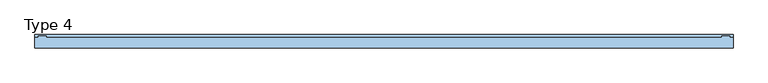
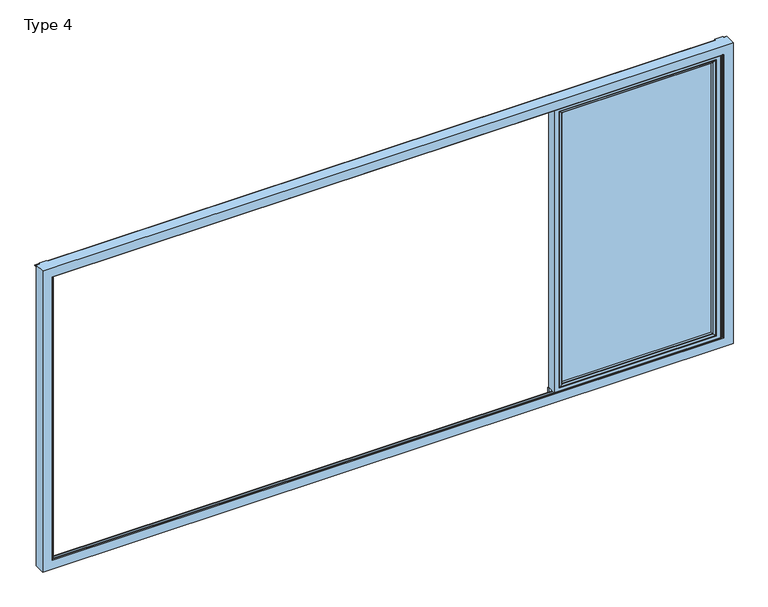
"""IFC4 building model written with IfcOpenShell, lengths in millimetres: window geometry, Type 4."""

from ifc_helpers import new_model, si_unit, point, frame, frame_2d, origin, place, context, project, spatial, polyline, circle_curve, ellipse_curve, trimmed, segment, composite_curve, outline, extrude, source, transform, mapped, element, save
from ifc_brep_helpers import plane_surface, cylinder_surface, advanced_brep


def type_4_5b0e3e8e(model_context):
    return source(origin(), model_context, "Body", "SolidModel", [
        advanced_brep(
        [(2500.0, -60.0, 2324.0), (2500.0, -60.0, 66.0), (2500.0, 20.0, 66.0), (2500.0, 20.0, 2324.0), (1259.0, -60.0, 66.0), (1259.0, 20.0, 66.0), (1259.0, 20.0, 2324.0), (1304.4996293, 20.0, 111.4996293), (2454.5003707, 20.0, 111.4996293), (2454.5003707, 20.0, 2278.5003707), (1304.4996293, 20.0, 2278.5003707), (1259.0, -60.0, 2324.0), (2468.0, -60.0, 98.0), (1291.0, -60.0, 98.0), (1291.0, -60.0, 2292.0), (2468.0, -60.0, 2292.0), (2468.0, 3.9999997, 2292.0), (2468.0, 3.9999997, 98.0), (1291.0, 3.9999997, 98.0), (1291.0, 3.9999997, 2292.0), (2449.999988, 3.9999997, 116.000012), (1309.000012, 3.9999997, 116.000012), (1309.000012, 3.9999997, 2273.999988), (2449.999988, 3.9999997, 2273.999988), (2449.999988, 15.4995565, 2273.999988), (2449.999988, 15.4995565, 116.000012), (1309.000012, 15.4995565, 116.000012), (1309.000012, 15.4995565, 2273.999988)],
        [
            (0, 1),
            (1, 2),
            (2, 3),
            (3, 0),
            (1, 4),
            (4, 5),
            (5, 2),
            (5, 6),
            (6, 3),
            (7, 8),
            (8, 9),
            (9, 10),
            (10, 7),
            (4, 11),
            (11, 6),
            (0, 11),
            (12, 13),
            (13, 14),
            (14, 15),
            (15, 12),
            (16, 17),
            (17, 12),
            (15, 16),
            (17, 18),
            (18, 13),
            (18, 19),
            (19, 14),
            (16, 19),
            (20, 21),
            (21, 22),
            (22, 23),
            (23, 20),
            (24, 25),
            (25, 20),
            (23, 24),
            (25, 26),
            (26, 21),
            (26, 27),
            (27, 22),
            (7, 26, ellipse_curve(frame((1304.4996293, 15.4995565, 111.4996293), z_axis=(0.7071067811865475, 0.0, -0.7071067811865475), x_axis=(0.7071067811865476, 0.0, 0.7071067811865474)), 6.3645023, 4.5003827)),
            (25, 8, ellipse_curve(frame((2454.5003707, 15.4995565, 111.4996293), z_axis=(-0.7071067811865475, 0.0, -0.7071067811865475), x_axis=(0.7071067811865476, 0.0, -0.7071067811865474)), 6.3645023, 4.5003827)),
            (24, 9, ellipse_curve(frame((2454.5003707, 15.4995565, 2278.5003707), z_axis=(0.7071067811865475, 0.0, -0.7071067811865475), x_axis=(0.7071067811865474, 0.0, 0.7071067811865476)), 6.3645023, 4.5003827)),
            (10, 27, ellipse_curve(frame((1304.4996293, 15.4995565, 2278.5003707), z_axis=(-0.7071067811865475, 0.0, -0.7071067811865475), x_axis=(0.7071067811865474, 0.0, -0.7071067811865476)), 6.3645023, 4.5003827)),
            (27, 24),
        ],
        [
            plane_surface(frame((2500.0, 20.0, 2324.0), z_axis=(1.0, 0.0, 0.0), x_axis=(0.0, 0.0, -1.0))),
            plane_surface(frame((2500.0, 20.0, 66.0), z_axis=(0.0, 0.0, -1.0), x_axis=(-1.0, 0.0, 0.0))),
            plane_surface(frame((2454.5003707, 20.0, 2278.5003707), z_axis=(0.0, 1.0, 0.0), x_axis=(0.0, 0.0, -1.0))),
            plane_surface(frame((1259.0, 20.0, 66.0), z_axis=(-1.0, 0.0, 0.0), x_axis=(0.0, 0.0, 1.0))),
            plane_surface(frame((2500.0, -60.0, 2324.0), z_axis=(0.0, -1.0, 0.0), x_axis=(0.0, 0.0, -1.0))),
            plane_surface(frame((2468.0, -60.0, 2292.0), z_axis=(-1.0, 0.0, 0.0), x_axis=(0.0, 0.0, -1.0))),
            plane_surface(frame((2468.0, -60.0, 98.0), z_axis=(0.0, 0.0, 1.0), x_axis=(-1.0, 0.0, 0.0))),
            plane_surface(frame((1291.0, -60.0, 98.0), z_axis=(1.0, 0.0, 0.0), x_axis=(0.0, 0.0, 1.0))),
            plane_surface(frame((2468.0, 3.9999997, 2292.0), z_axis=(0.0, -1.0, 0.0), x_axis=(0.0, 0.0, -1.0))),
            plane_surface(frame((2449.999988, 3.9999997, 2273.999988), z_axis=(-1.0, 0.0, 0.0), x_axis=(0.0, 0.0, -1.0))),
            plane_surface(frame((2449.999988, 3.9999997, 116.000012), z_axis=(0.0, 0.0, 1.0), x_axis=(-1.0, 0.0, 0.0))),
            plane_surface(frame((1309.000012, 3.9999997, 116.000012), z_axis=(1.0, 0.0, 0.0), x_axis=(0.0, 0.0, 1.0))),
            cylinder_surface(frame((2506.0, 15.4995565, 111.4996293), z_axis=(1.0, 0.0, 0.0), x_axis=(0.0, -1.0, 0.0)), 4.5003827),
            cylinder_surface(frame((2454.5003707, 15.4995565, 2330.0), z_axis=(0.0, 0.0, 1.0), x_axis=(0.0, -1.0, 0.0)), 4.5003827),
            cylinder_surface(frame((1304.4996293, 15.4995565, 60.0), z_axis=(0.0, 0.0, -1.0), x_axis=(0.0, -1.0, 0.0)), 4.5003827),
            plane_surface(frame((1259.0, 20.0, 2324.0), z_axis=(0.0, 0.0, 1.0), x_axis=(1.0, 0.0, 0.0))),
            plane_surface(frame((1291.0, -60.0, 2292.0), z_axis=(0.0, 0.0, -1.0), x_axis=(1.0, 0.0, 0.0))),
            plane_surface(frame((1309.000012, 3.9999997, 2273.999988), z_axis=(0.0, 0.0, -1.0), x_axis=(1.0, 0.0, 0.0))),
            cylinder_surface(frame((1253.0, 15.4995565, 2278.5003707), z_axis=(-1.0, 0.0, 0.0), x_axis=(0.0, -1.0, 0.0)), 4.5003827),
        ],
        [
            (0, [[1, 2, 3, 4]]),
            (1, [[5, 6, 7, -2]]),
            (2, [[-7, 8, 9, -3], [10, 11, 12, 13]]),
            (3, [[14, 15, -8, -6]]),
            (4, [[-5, -1, 16, -14], [17, 18, 19, 20]]),
            (5, [[21, 22, -20, 23]]),
            (6, [[24, 25, -17, -22]]),
            (7, [[26, 27, -18, -25]]),
            (8, [[-24, -21, 28, -26], [29, 30, 31, 32]]),
            (9, [[33, 34, -32, 35]]),
            (10, [[36, 37, -29, -34]]),
            (11, [[38, 39, -30, -37]]),
            (12, [[-10, 40, -36, 41]]),
            (13, [[-11, -41, -33, 42]]),
            (14, [[-13, 43, -38, -40]]),
            (15, [[-16, -4, -9, -15]]),
            (16, [[-28, -23, -19, -27]]),
            (17, [[44, -35, -31, -39]]),
            (18, [[-12, -42, -44, -43]]),
        ],
    ),
        extrude(outline(polyline([(2467.9996828, 3.9999997), (2467.9996828, -34.0000003), (1291.0003172, -34.0000003), (1291.0003172, 3.9999997), (2467.9996828, 3.9999997)])), frame((0.0, 0.0, 98.0003172), z_axis=(0.0, 0.0, 1.0), x_axis=(1.0, 0.0, 0.0)), (0.0, 0.0, 1.0), 2193.9993657),
        advanced_brep(
        [(1312.9998899, -54.5552044, 2270.0001101), (1312.9998899, -54.5552044, 119.9998899), (1312.9998899, -34.0000003, 119.9998899), (1312.9998899, -34.0000003, 2270.0001101), (1291.0003172, -34.0000003, 2291.9996828), (2467.9996828, -34.0000003, 2291.9996828), (2467.9996828, -34.0000003, 98.0003172), (1291.0003172, -34.0000003, 98.0003172), (2446.0001101, -34.0000003, 2270.0001101), (2446.0001101, -34.0000003, 119.9998899), (2446.0001101, -54.5552044, 119.9998899), (1312.2903465, -55.8045072, 2270.7096535), (1312.2903465, -55.8045072, 119.2903465), (2446.7096535, -55.8045072, 119.2903465), (1297.0002561, -60.0, 2285.9997439), (1297.0002561, -60.0, 104.0002561), (2461.9997439, -60.0, 104.0002561), (2467.9996828, -60.0, 2291.9996828), (1291.0003172, -60.0, 2291.9996828), (1291.0003172, -60.0, 98.0003172), (2467.9996828, -60.0, 98.0003172), (2461.9997439, -60.0, 2285.9997439), (2446.0001101, -54.5552044, 2270.0001101), (2446.7096535, -55.8045072, 2270.7096535)],
        [
            (0, 1),
            (1, 2),
            (2, 3),
            (3, 0),
            (4, 5),
            (5, 6),
            (6, 7),
            (7, 4),
            (8, 3),
            (2, 9),
            (9, 8),
            (1, 10),
            (10, 9),
            (11, 12),
            (12, 1, ellipse_curve(frame((1311.5452859, -54.5552044, 118.5452859), z_axis=(-0.7071067811865475, 0.0, 0.7071067811865475), x_axis=(0.7071067811865474, 0.0, 0.7071067811865476)), 2.0571207, 1.454604)),
            (0, 11, ellipse_curve(frame((1311.5452859, -54.5552044, 2271.4547141), z_axis=(-0.7071067811865475, 0.0, -0.7071067811865475), x_axis=(-0.7071067811865474, 0.0, 0.7071067811865476)), 2.0571207, 1.454604)),
            (12, 13),
            (13, 10, ellipse_curve(frame((2447.4547141, -54.5552044, 118.5452859), z_axis=(-0.7071067811865475, 0.0, -0.7071067811865475), x_axis=(-0.7071067811865476, 0.0, 0.7071067811865474)), 2.0571207, 1.454604)),
            (14, 15),
            (15, 12, ellipse_curve(frame((1297.0641917, -30.2735922, 104.0641917), z_axis=(-0.7071067811865475, 0.0, 0.7071067811865475), x_axis=(0.7071067811865474, 0.0, 0.7071067811865476)), 42.0395863, 29.7264765)),
            (11, 14, ellipse_curve(frame((1297.0641917, -30.2735922, 2285.9358083), z_axis=(-0.7071067811865475, 0.0, -0.7071067811865475), x_axis=(-0.7071067811865474, 0.0, 0.7071067811865476)), 42.0395863, 29.7264765)),
            (15, 16),
            (16, 13, ellipse_curve(frame((2461.9358083, -30.2735922, 104.0641917), z_axis=(-0.7071067811865475, 0.0, -0.7071067811865475), x_axis=(-0.7071067811865476, 0.0, 0.7071067811865474)), 42.0395863, 29.7264765)),
            (17, 18),
            (18, 19),
            (19, 20),
            (20, 17),
            (14, 21),
            (21, 16),
            (7, 19),
            (18, 4),
            (6, 20),
            (10, 22),
            (22, 8),
            (13, 23),
            (23, 22, ellipse_curve(frame((2447.4547141, -54.5552044, 2271.4547141), z_axis=(0.7071067811865475, 0.0, -0.7071067811865475), x_axis=(-0.7071067811865474, 0.0, -0.7071067811865476)), 2.0571207, 1.454604)),
            (21, 23, ellipse_curve(frame((2461.9358083, -30.2735922, 2285.9358083), z_axis=(0.7071067811865475, 0.0, -0.7071067811865475), x_axis=(-0.7071067811865474, 0.0, -0.7071067811865476)), 42.0395863, 29.7264765)),
            (5, 17),
            (22, 0),
            (23, 11),
        ],
        [
            plane_surface(frame((1312.9998899, -34.0000003, 2270.0001101), z_axis=(1.0, 0.0, 0.0), x_axis=(0.0, 0.0, -1.0))),
            plane_surface(frame((2467.9996828, -34.0000003, 98.0003172), z_axis=(0.0, 1.0, 0.0), x_axis=(0.0, 0.0, 1.0))),
            plane_surface(frame((1312.9998899, -34.0000003, 119.9998899), z_axis=(0.0, 0.0, 1.0), x_axis=(1.0, 0.0, 0.0))),
            cylinder_surface(frame((1311.5452859, -54.5552044, 2273.999988), z_axis=(0.0, 0.0, 1.0), x_axis=(-1.0, 0.0, 0.0)), 1.454604),
            cylinder_surface(frame((1309.000012, -54.5552044, 118.5452859), z_axis=(-1.0, 0.0, 0.0), x_axis=(0.0, 0.0, -1.0)), 1.454604),
            cylinder_surface(frame((1297.0641917, -30.2735922, 2273.999988), z_axis=(0.0, 0.0, 1.0), x_axis=(-1.0, 0.0, 0.0)), 29.7264765),
            cylinder_surface(frame((1309.000012, -30.2735922, 104.0641917), z_axis=(-1.0, 0.0, 0.0), x_axis=(0.0, 0.0, -1.0)), 29.7264765),
            plane_surface(frame((2461.9997439, -60.0, 104.0002561), z_axis=(0.0, -1.0, 0.0), x_axis=(0.0, 0.0, 1.0))),
            plane_surface(frame((1291.0003172, -60.0, 2291.9996828), z_axis=(-1.0, 0.0, 0.0), x_axis=(0.0, 0.0, -1.0))),
            plane_surface(frame((1291.0003172, -60.0, 98.0003172), z_axis=(0.0, 0.0, -1.0), x_axis=(1.0, 0.0, 0.0))),
            plane_surface(frame((2446.0001101, -34.0000003, 119.9998899), z_axis=(-1.0, 0.0, 0.0), x_axis=(0.0, 0.0, 1.0))),
            cylinder_surface(frame((2447.4547141, -54.5552044, 116.000012), z_axis=(0.0, 0.0, -1.0), x_axis=(1.0, 0.0, 0.0)), 1.454604),
            cylinder_surface(frame((2461.9358083, -30.2735922, 116.000012), z_axis=(0.0, 0.0, -1.0), x_axis=(1.0, 0.0, 0.0)), 29.7264765),
            plane_surface(frame((2467.9996828, -60.0, 98.0003172), z_axis=(1.0, 0.0, 0.0), x_axis=(0.0, 0.0, 1.0))),
            plane_surface(frame((2446.0001101, -34.0000003, 2270.0001101), z_axis=(0.0, 0.0, -1.0), x_axis=(-1.0, 0.0, 0.0))),
            cylinder_surface(frame((2449.999988, -54.5552044, 2271.4547141), z_axis=(1.0, 0.0, 0.0), x_axis=(0.0, 0.0, 1.0)), 1.454604),
            cylinder_surface(frame((2449.999988, -30.2735922, 2285.9358083), z_axis=(1.0, 0.0, 0.0), x_axis=(0.0, 0.0, 1.0)), 29.7264765),
            plane_surface(frame((2467.9996828, -60.0, 2291.9996828), z_axis=(0.0, 0.0, 1.0), x_axis=(-1.0, 0.0, 0.0))),
        ],
        [
            (0, [[1, 2, 3, 4]]),
            (1, [[5, 6, 7, 8], [9, -3, 10, 11]]),
            (2, [[12, 13, -10, -2]]),
            (3, [[14, 15, -1, 16]]),
            (4, [[17, 18, -12, -15]]),
            (5, [[19, 20, -14, 21]]),
            (6, [[22, 23, -17, -20]]),
            (7, [[24, 25, 26, 27], [28, 29, -22, -19]]),
            (8, [[-8, 30, -25, 31]]),
            (9, [[-7, 32, -26, -30]]),
            (10, [[33, 34, -11, -13]]),
            (11, [[35, 36, -33, -18]]),
            (12, [[-29, 37, -35, -23]]),
            (13, [[-6, 38, -27, -32]]),
            (14, [[39, -4, -9, -34]]),
            (15, [[40, -16, -39, -36]]),
            (16, [[-28, -21, -40, -37]]),
            (17, [[-5, -31, -24, -38]]),
        ],
    ),
        extrude(outline(composite_curve([segment(polyline([(20.0, 2362.5), (20.0, 2324.0), (10.0, 2324.0), (10.0, 2365.0), (17.5, 2365.0)]), True, "CONTINUOUS"), segment(trimmed(circle_curve(frame_2d((17.5, 2362.5)), 2.5), [point((17.5, 2365.0))], [point((20.0, 2362.5))], False, "CARTESIAN"), True, "CONTINUOUS")], self_intersect=False)), frame((1253.0, 0.0, 0.0), z_axis=(1.0, 0.0, 0.0), x_axis=(0.0, 1.0, 0.0)), (0.0, 0.0, 1.0), 1253.0),
        extrude(outline(composite_curve([segment(trimmed(circle_curve(frame_2d((17.5, 27.5)), 2.5), [point((20.0, 27.5))], [point((17.5, 25.0))], False, "CARTESIAN"), True, "CONTINUOUS"), segment(polyline([(17.5, 25.0), (10.0, 25.0), (10.0, 66.0), (20.0, 66.0), (20.0, 27.5)]), True, "CONTINUOUS")], self_intersect=False)), frame((1253.0, 0.0, 0.0), z_axis=(1.0, 0.0, 0.0), x_axis=(0.0, 1.0, 0.0)), (0.0, 0.0, 1.0), 1253.0),
        advanced_brep(
        [(2519.5, -69.9999847, 70.5), (2517.0, -67.4999847, 73.0), (-2517.0, -67.4999847, 73.0), (-2519.5, -69.9999847, 70.5), (2519.5, -69.9999847, 2319.5), (2517.0, -67.4999847, 2317.0), (2590.0, -69.9999847, 0.0), (2590.0, -69.9999847, 2390.0), (-2590.0, -69.9999847, 2390.0), (-2590.0, -69.9999847, 0.0), (-2519.5, -69.9999847, 2319.5), (2517.0, -60.0, 2317.0), (2517.0, -60.0, 73.0), (2506.0, -60.0, 2317.0), (2506.0, -60.0, 73.0), (-2505.9999505, -60.0, 73.0), (-2517.0, -60.0, 73.0), (2590.0, 10.0, 0.0), (-2590.0, 10.0, 0.0), (-2565.0, 10.0, 0.0), (-2565.0, 17.5, 0.0), (-2562.5, 20.0, 0.0), (-2505.9999505, 20.0, 0.0), (-2505.9999505, 10.0, 0.0), (2506.0, 10.0, 0.0), (2506.0, 20.0, 0.0), (2562.5, 20.0, 0.0), (2565.0, 17.5, 0.0), (2565.0, 10.0, 0.0), (2590.0, 10.0, 2390.0), (-2505.9999505, 10.0, 35.6000076), (2506.0, 10.0, 35.6000076), (-2505.9999505, 10.0, 2354.3999924), (-2505.9999505, 10.0, 2390.0), (2506.0, 10.0, 2390.0), (2506.0, 10.0, 2354.3999924), (-2590.0, 10.0, 2390.0), (-2565.0, 10.0, 2390.0), (2565.0, 10.0, 2390.0), (-2517.0, -67.4999847, 2317.0), (-2517.0, -60.0, 2317.0), (-2505.9999505, -60.0, 2317.0), (-2505.9999505, -60.0, 30.5), (2506.0, -60.0, 30.5), (-2505.9999505, -60.0, 2359.5), (2506.0, -60.0, 2359.5), (-2505.9999505, 20.0, 2390.0), (-2505.9999505, 0.2, 2354.3999924), (-2505.9999505, 0.2, 2365.9997864), (-2505.9999505, -22.3, 2365.9997864), (-2505.9999505, -22.3, 2354.3999924), (-2505.9999505, -31.8999756, 2354.3999924), (-2505.9999505, -31.8999756, 2359.5), (-2505.9999505, -31.8999756, 30.5), (-2505.9999505, -31.8999756, 35.6000076), (-2505.9999505, -22.3, 35.6000076), (-2505.9999505, -22.3, 24.0002136), (-2505.9999505, 0.2, 24.0002136), (-2505.9999505, 0.2, 35.6000076), (2506.0, 20.0, 2390.0), (2506.0, 0.2, 35.6000076), (2506.0, 0.2, 24.0002136), (2506.0, -22.3, 24.0002136), (2506.0, -22.3, 35.6000076), (2506.0, -31.8999756, 35.6000076), (2506.0, -31.8999756, 30.5), (2506.0, -31.8999756, 2359.5), (2506.0, -31.8999756, 2354.3999924), (2506.0, -22.3, 2354.3999924), (2506.0, -22.3, 2365.9997864), (2506.0, 0.2, 2365.9997864), (2506.0, 0.2, 2354.3999924), (-2565.0, 17.5, 2390.0), (2565.0, 17.5, 2390.0), (-2562.5, 20.0, 2390.0), (2562.5, 20.0, 2390.0)],
        [
            (0, 1, ellipse_curve(frame((2519.5, -67.4999847, 70.5), z_axis=(-0.7071067811865498, 0.0, -0.7071067811865451), x_axis=(-0.7071067811865452, 0.0, 0.7071067811865497)), 3.5355339, 2.5)),
            (1, 2),
            (2, 3, ellipse_curve(frame((-2519.5, -67.4999847, 70.5), z_axis=(0.7071067811865451, 0.0, -0.7071067811865498), x_axis=(-0.70710678118655, 0.0, -0.7071067811865451)), 3.5355339, 2.5)),
            (3, 0),
            (0, 4),
            (4, 5, ellipse_curve(frame((2519.5, -67.4999847, 2319.5), z_axis=(0.7071067811865451, 0.0, -0.7071067811865498), x_axis=(-0.7071067811865497, 0.0, -0.7071067811865452)), 3.5355339, 2.5)),
            (5, 1),
            (6, 7),
            (7, 8),
            (8, 9),
            (9, 6),
            (3, 10),
            (10, 4),
            (5, 11),
            (11, 12),
            (12, 1),
            (13, 14),
            (14, 12),
            (11, 13),
            (14, 15),
            (15, 16),
            (16, 2),
            (17, 6),
            (9, 18),
            (18, 19),
            (19, 20),
            (20, 21, circle_curve(frame((-2562.5, 17.5, 0.0), z_axis=(0.0, 0.0, -1.0), x_axis=(0.0, -1.0, 0.0)), 2.5)),
            (21, 22),
            (22, 23),
            (23, 24),
            (24, 25),
            (25, 26),
            (26, 27, circle_curve(frame((2562.5, 17.5, 0.0), z_axis=(0.0, 0.0, -1.0), x_axis=(0.0, -1.0, 0.0)), 2.5)),
            (27, 28),
            (28, 17),
            (17, 29),
            (29, 7),
            (23, 30),
            (30, 31),
            (31, 24),
            (32, 33),
            (33, 34),
            (34, 35),
            (35, 32),
            (18, 36),
            (36, 37),
            (37, 19),
            (38, 29),
            (28, 38),
            (39, 10, ellipse_curve(frame((-2519.5, -67.4999847, 2319.5), z_axis=(-0.7071067811865498, 0.0, -0.7071067811865451), x_axis=(-0.7071067811865451, 0.0, 0.70710678118655)), 3.5355339, 2.5)),
            (2, 39),
            (40, 39),
            (16, 40),
            (15, 41),
            (41, 40),
            (8, 36),
            (42, 15),
            (14, 43),
            (43, 42),
            (41, 44),
            (44, 45),
            (45, 13),
            (13, 41),
            (22, 46),
            (46, 33),
            (32, 47),
            (47, 48),
            (48, 49),
            (49, 50),
            (50, 51),
            (51, 52),
            (52, 44),
            (42, 53),
            (53, 54),
            (54, 55),
            (55, 56),
            (56, 57),
            (57, 58),
            (58, 30),
            (59, 25),
            (31, 60),
            (60, 61),
            (61, 62),
            (62, 63),
            (63, 64),
            (64, 65),
            (65, 43),
            (45, 66),
            (66, 67),
            (67, 68),
            (68, 69),
            (69, 70),
            (70, 71),
            (71, 35),
            (34, 59),
            (65, 53),
            (64, 54),
            (51, 67),
            (66, 52),
            (63, 55),
            (62, 56),
            (49, 69),
            (68, 50),
            (61, 57),
            (60, 58),
            (47, 71),
            (70, 48),
            (37, 72),
            (72, 20),
            (73, 38),
            (27, 73),
            (72, 74, circle_curve(frame((-2562.5, 17.5, 2390.0), z_axis=(0.0, 0.0, -1.0), x_axis=(0.0, -1.0, 0.0)), 2.5)),
            (74, 21),
            (74, 46),
            (59, 75),
            (75, 26),
            (75, 73, circle_curve(frame((2562.5, 17.5, 2390.0), z_axis=(0.0, 0.0, -1.0), x_axis=(0.0, -1.0, 0.0)), 2.5)),
            (39, 5),
        ],
        [
            cylinder_surface(frame((-2590.0, -67.4999847, 70.5), z_axis=(-1.0, 0.0, 0.0), x_axis=(0.0, 0.0, 1.0)), 2.5),
            cylinder_surface(frame((2519.5, -67.4999847, 0.0), z_axis=(0.0, 0.0, -1.0), x_axis=(-1.0, 0.0, 0.0)), 2.5),
            plane_surface(frame((-2590.0, -69.9999847, 0.0), z_axis=(0.0, -1.0, 0.0), x_axis=(1.0, 0.0, 0.0))),
            plane_surface(frame((2517.0, -67.4999847, 73.0), z_axis=(-1.0, 0.0, 0.0), x_axis=(0.0, 0.0, 1.0))),
            plane_surface(frame((2506.0, -60.0, 2390.0), z_axis=(0.0, -1.0, 0.0), x_axis=(0.0, 0.0, -1.0))),
            plane_surface(frame((-2517.0, -67.4999847, 73.0), z_axis=(0.0, 0.0, 1.0), x_axis=(1.0, 0.0, 0.0))),
            plane_surface(frame((-2590.0, 10.0, 0.0), z_axis=(0.0, 0.0, -1.0), x_axis=(1.0, 0.0, 0.0))),
            plane_surface(frame((2590.0, 10.0, 0.0), z_axis=(1.0, 0.0, 0.0), x_axis=(0.0, 0.0, 1.0))),
            plane_surface(frame((-2554.3999924, 10.0, 35.6000076), z_axis=(0.0, 1.0, 0.0), x_axis=(1.0, 0.0, 0.0))),
            cylinder_surface(frame((-2519.5, -67.4999847, 2390.0), z_axis=(0.0, 0.0, 1.0), x_axis=(1.0, 0.0, 0.0)), 2.5),
            plane_surface(frame((-2517.0, -67.4999847, 2317.0), z_axis=(1.0, 0.0, 0.0), x_axis=(0.0, 0.0, -1.0))),
            plane_surface(frame((-2565.9997864, -60.0, 2390.0), z_axis=(0.0, -1.0, 0.0), x_axis=(0.0, 0.0, -1.0))),
            plane_surface(frame((-2590.0, 10.0, 2390.0), z_axis=(-1.0, 0.0, 0.0), x_axis=(0.0, 0.0, -1.0))),
            plane_surface(frame((-2517.0, -60.0, 73.0), z_axis=(0.0, 1.0, 0.0), x_axis=(1.0, 0.0, 0.0))),
            plane_surface(frame((-2505.9999505, -60.0, 2390.0), z_axis=(1.0, 0.0, 0.0), x_axis=(0.0, 0.0, -1.0))),
            plane_surface(frame((2506.0, 20.0, 2390.0), z_axis=(-1.0, 0.0, 0.0), x_axis=(0.0, 0.0, -1.0))),
            plane_surface(frame((-2559.5, -60.0, 30.5), z_axis=(0.0, 0.0, 1.0), x_axis=(1.0, 0.0, 0.0))),
            plane_surface(frame((-2559.5, -31.8999756, 30.5), z_axis=(0.0, -1.0, 0.0), x_axis=(1.0, 0.0, 0.0))),
            plane_surface(frame((-2554.3999924, -31.8999756, 35.6000076), z_axis=(0.0, 0.0, 1.0), x_axis=(1.0, 0.0, 0.0))),
            plane_surface(frame((-2554.3999924, -22.3, 35.6000076), z_axis=(0.0, 1.0, 0.0), x_axis=(1.0, 0.0, 0.0))),
            plane_surface(frame((-2565.9997864, -22.3, 24.0002136), z_axis=(0.0, 0.0, 1.0), x_axis=(1.0, 0.0, 0.0))),
            plane_surface(frame((-2565.9997864, 0.2, 24.0002136), z_axis=(0.0, -1.0, 0.0), x_axis=(1.0, 0.0, 0.0))),
            plane_surface(frame((-2554.3999924, 0.2, 35.6000076), z_axis=(0.0, 0.0, 1.0), x_axis=(1.0, 0.0, 0.0))),
            plane_surface(frame((-2565.0, 17.5, 2390.0), z_axis=(-1.0, 0.0, 0.0), x_axis=(0.0, 0.0, -1.0))),
            plane_surface(frame((2565.0, 10.0, 2390.0), z_axis=(1.0, 0.0, 0.0), x_axis=(0.0, 0.0, -1.0))),
            cylinder_surface(frame((-2562.5, 17.5, 2390.0), z_axis=(0.0, 0.0, 1.0), x_axis=(0.0, -1.0, 0.0)), 2.5),
            plane_surface(frame((-2505.9999505, 20.0, 2390.0), z_axis=(0.0, 1.0, 0.0), x_axis=(0.0, 0.0, -1.0))),
            plane_surface(frame((2562.5, 20.0, 2390.0), z_axis=(0.0, 1.0, 0.0), x_axis=(0.0, 0.0, -1.0))),
            cylinder_surface(frame((2562.5, 17.5, 2390.0), z_axis=(0.0, 0.0, 1.0), x_axis=(0.0, -1.0, 0.0)), 2.5),
            cylinder_surface(frame((2590.0, -67.4999847, 2319.5), z_axis=(1.0, 0.0, 0.0), x_axis=(0.0, 0.0, -1.0)), 2.5),
            plane_surface(frame((2517.0, -67.4999847, 2317.0), z_axis=(0.0, 0.0, -1.0), x_axis=(-1.0, 0.0, 0.0))),
            plane_surface(frame((2590.0, 10.0, 2390.0), z_axis=(0.0, 0.0, 1.0), x_axis=(-1.0, 0.0, 0.0))),
            plane_surface(frame((2559.5, -60.0, 2359.5), z_axis=(0.0, 0.0, -1.0), x_axis=(-1.0, 0.0, 0.0))),
            plane_surface(frame((2554.3999924, -31.8999756, 2354.3999924), z_axis=(0.0, 0.0, -1.0), x_axis=(-1.0, 0.0, 0.0))),
            plane_surface(frame((2565.9997864, -22.3, 2365.9997864), z_axis=(0.0, 0.0, -1.0), x_axis=(-1.0, 0.0, 0.0))),
            plane_surface(frame((2554.3999924, 0.2, 2354.3999924), z_axis=(0.0, 0.0, -1.0), x_axis=(-1.0, 0.0, 0.0))),
        ],
        [
            (0, [[1, 2, 3, 4]]),
            (1, [[-1, 5, 6, 7]]),
            (2, [[8, 9, 10, 11], [-5, -4, 12, 13]]),
            (3, [[-7, 14, 15, 16]]),
            (4, [[17, 18, -15, 19]]),
            (5, [[-16, -18, 20, 21, 22, -2]]),
            (6, [[23, -11, 24, 25, 26, 27, 28, 29, 30, 31, 32, 33, 34, 35]]),
            (7, [[-23, 36, 37, -8]]),
            (8, [[38, 39, 40, -30]]),
            (8, [[41, 42, 43, 44]]),
            (8, [[45, 46, 47, -25]]),
            (8, [[48, -36, -35, 49]]),
            (9, [[50, -12, -3, 51]]),
            (10, [[52, -51, -22, 53]]),
            (11, [[54, 55, -53, -21]]),
            (12, [[56, -45, -24, -10]]),
            (13, [[57, -20, 58, 59]]),
            (13, [[60, 61, 62, 63]]),
            (14, [[64, 65, -41, 66, 67, 68, 69, 70, 71, 72, -60, -54, -57, 73, 74, 75, 76, 77, 78, 79, -38, -29]]),
            (15, [[80, -31, -40, 81, 82, 83, 84, 85, 86, 87, -58, -17, -62, 88, 89, 90, 91, 92, 93, 94, -43, 95]]),
            (16, [[-73, -59, -87, 96]]),
            (17, [[-74, -96, -86, 97]]),
            (17, [[-71, 98, -89, 99]]),
            (18, [[-75, -97, -85, 100]]),
            (19, [[-76, -100, -84, 101]]),
            (19, [[-69, 102, -91, 103]]),
            (20, [[-77, -101, -83, 104]]),
            (21, [[-78, -104, -82, 105]]),
            (21, [[-67, 106, -93, 107]]),
            (22, [[-79, -105, -81, -39]]),
            (23, [[108, 109, -26, -47]]),
            (24, [[110, -49, -34, 111]]),
            (25, [[112, 113, -27, -109]]),
            (26, [[114, -64, -28, -113]]),
            (27, [[115, 116, -32, -80]]),
            (28, [[117, -111, -33, -116]]),
            (29, [[-6, -13, -50, 118]]),
            (30, [[-14, -118, -52, -55, -63, -19]]),
            (31, [[-37, -48, -110, -117, -115, -95, -42, -65, -114, -112, -108, -46, -56, -9]]),
            (32, [[-72, -99, -88, -61]]),
            (33, [[-70, -103, -90, -98]]),
            (34, [[-68, -107, -92, -102]]),
            (35, [[-66, -44, -94, -106]]),
        ],
    ),
        extrude(outline(polyline([(30.2279949, 2375.5006958), (30.2279949, 2371.1777082), (9.9999847, 2371.1777082), (9.9999847, 2383.6755792), (30.2279949, 2375.5006958)])), frame((-2590.0, 0.0, 0.0), z_axis=(1.0, 0.0, 0.0), x_axis=(0.0, 1.0, 0.0)), (0.0, 0.0, 1.0), 5180.0),
    ])


if __name__ == "__main__":
    model = new_model("IFC4")
    model_context = context("Model", 3, world=origin())
    ifc_project = project(units=[si_unit("LENGTHUNIT", "METRE", prefix="MILLI")], contexts=[model_context])
    site = spatial("IfcSite", under=ifc_project)
    building = spatial("IfcBuilding", under=site)
    placement = place(None, origin())
    type_4_shape = type_4_5b0e3e8e(model_context)
    element("IfcWindow", 1, ObjectType="Type 4", at=placement, inside=building, context=model_context, shape_type="MappedRepresentation", body=[
        mapped(type_4_shape, transform((0.0, 0.0, 0.0), x_axis=(1.0, 0.0, 0.0), y_axis=(0.0, 1.0, 0.0), z_axis=(0.0, 0.0, 1.0))),
    ])
    save(model, "model.ifc")
